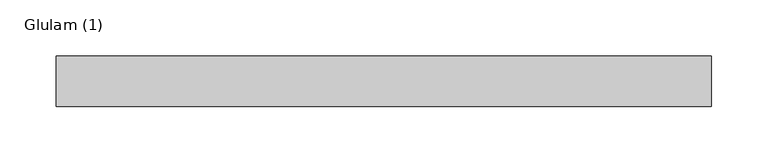
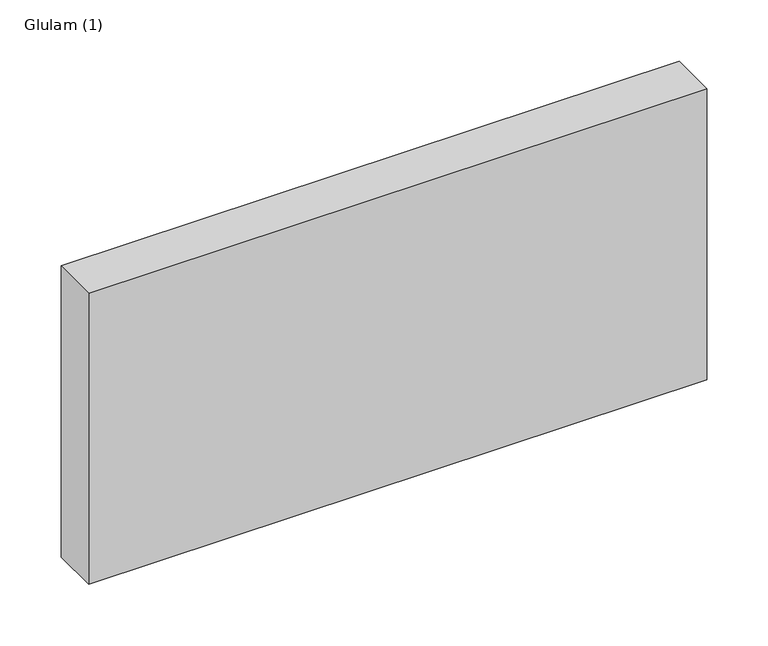
"""IFC4 building model written with IfcOpenShell, lengths in millimetres: beam geometry, Glulam (1)."""

from ifc_helpers import new_model, si_unit, frame, origin, place, context, project, spatial, polyline, outline, extrude, source, transform, mapped, element, save


def glulam_1_ea8ec516(model_context):
    return source(origin(), model_context, "Body", "SweptSolid", [
        extrude(outline(polyline([(293.5, 22.5), (293.5, -22.5), (-288.5, -22.5), (-288.5, 22.5), (293.5, 22.5)])), frame((0.0, 0.0, -145.0), z_axis=(0.0, 0.0, 1.0), x_axis=(1.0, 0.0, 0.0)), (0.0, 0.0, 1.0), 290.0),
    ])


if __name__ == "__main__":
    model = new_model("IFC4")
    model_context = context("Model", 3, world=origin())
    ifc_project = project(units=[si_unit("LENGTHUNIT", "METRE", prefix="MILLI")], contexts=[model_context])
    site = spatial("IfcSite", under=ifc_project)
    building = spatial("IfcBuilding", under=site)
    placement = place(None, origin())
    glulam_1_shape = glulam_1_ea8ec516(model_context)
    element("IfcBeam", 1, ObjectType="Glulam (1)", at=placement, inside=building, context=model_context, shape_type="MappedRepresentation", body=[
        mapped(glulam_1_shape, transform((0.0, 0.0, 0.0), x_axis=(1.0, 0.0, 0.0), y_axis=(0.0, 1.0, 0.0), z_axis=(0.0, 0.0, 1.0))),
    ])
    save(model, "model.ifc")
